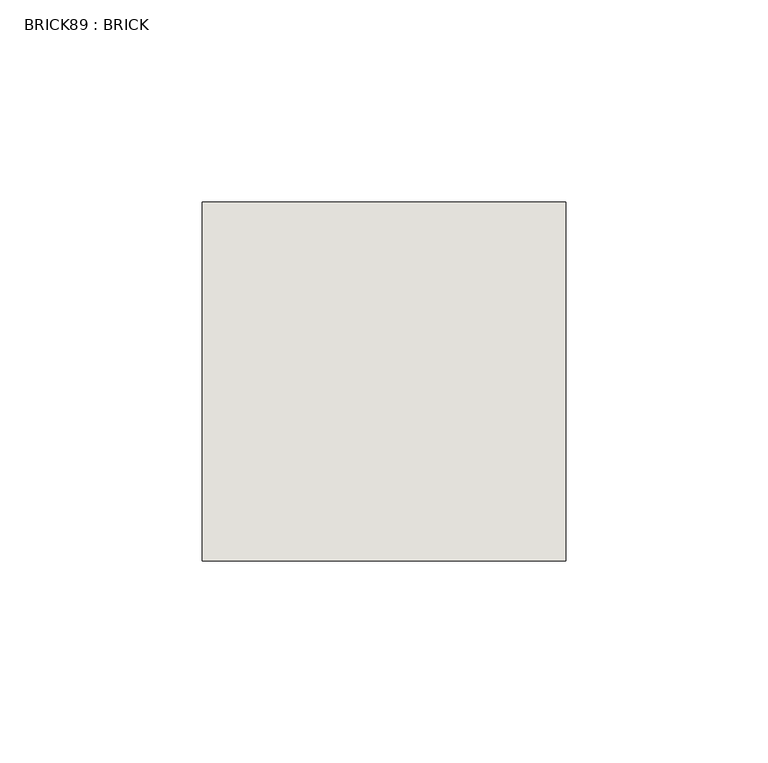
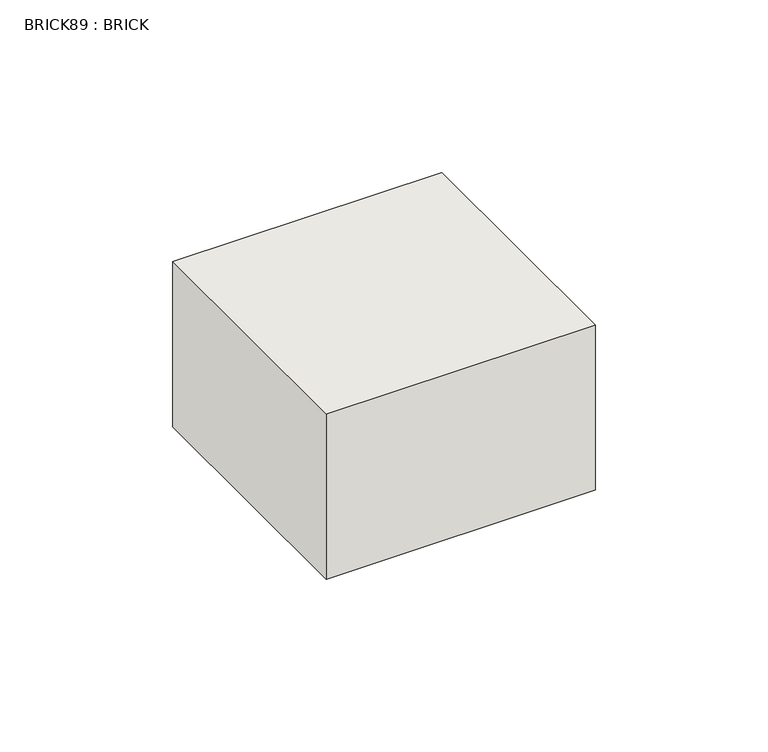
"""IFC4 building model written with IfcOpenShell, lengths in millimetres: wall geometry, BRICK89 : BRICK."""

import ifcopenshell
import ifcopenshell.guid

model = None  # the IFC model being written
_history = None  # IfcOwnerHistory: only IFC2X3 demands one
_inside = {}  # id of a spatial element -> (the spatial element, [elements in it])
_under = {}  # id of a project, library or spatial element -> (it, [spatial elements below it])
_declared = {}  # id of a project -> (the project, [libraries it declares])
_typed = {}  # id of a type object -> (the type object, [elements of that type])
_made_of = {}  # id of a material, layer set ... -> (it, [elements and type objects made of it])


def new_model(schema):
    """Start an empty IFC model of exactly this schema.

    Asked for "IFC4X3", IfcOpenShell would pick the latest addendum, in which some entities
    have other attributes; the version numbers below select the first issue.
    IFC2X3 requires an IfcOwnerHistory on every rooted entity: one is made here for all.
    """
    global model, _history
    if schema == "IFC4X3":
        model = ifcopenshell.file(schema_version=(4, 3, 0, 0))
    else:
        model = ifcopenshell.file(schema=schema)
    _inside.clear()
    _under.clear()
    _declared.clear()
    _typed.clear()
    _made_of.clear()
    _history = None
    if model.schema == "IFC2X3":
        org = make("IfcOrganization", Name="unknown")
        user = make(
            "IfcPersonAndOrganization",
            ThePerson=make("IfcPerson", FamilyName="unknown"),
            TheOrganization=org,
        )
        app = make(
            "IfcApplication",
            ApplicationDeveloper=org,
            Version="unknown",
            ApplicationFullName="unknown",
            ApplicationIdentifier="unknown",
        )
        _history = make(
            "IfcOwnerHistory",
            OwningUser=user,
            OwningApplication=app,
            ChangeAction="ADDED",
            CreationDate=0,
        )
    return model


def make(cls, **values):
    """One entity of the class cls with the attributes given. An attribute that is None is left unset."""
    return model.create_entity(
        cls, **{name: value for name, value in values.items() if value is not None}
    )


def rooted(cls, **values):
    """An entity with a GlobalId (a new one), such as an element, a storey or a relation."""
    return make(cls, GlobalId=ifcopenshell.guid.new(), OwnerHistory=_history, **values)


def si_unit(unit_type, name, prefix=None):
    """IfcSIUnit, for example si_unit("LENGTHUNIT", "METRE", prefix="MILLI")."""
    return make("IfcSIUnit", UnitType=unit_type, Prefix=prefix, Name=name)


def assignment(units):
    """IfcUnitAssignment: the units of a project."""
    return None if units is None else make("IfcUnitAssignment", Units=units)


def point(xyz):
    """IfcCartesianPoint."""
    return None if xyz is None else make("IfcCartesianPoint", Coordinates=xyz)


def direction(xyz):
    """IfcDirection."""
    return None if xyz is None else make("IfcDirection", DirectionRatios=xyz)


def frame(location, z_axis=None, x_axis=None):
    """IfcAxis2Placement3D, a coordinate frame: its origin and axes. An axis left out is left unset."""
    return make(
        "IfcAxis2Placement3D",
        Location=point(location),
        Axis=direction(z_axis),
        RefDirection=direction(x_axis),
    )


def origin():
    """The frame at (0, 0, 0) with its axes left unset."""
    return frame((0.0, 0.0, 0.0))


def place(relative_to, where):
    """IfcLocalPlacement: puts the frame where relative to a parent placement (None: the world)."""
    return make(
        "IfcLocalPlacement", PlacementRelTo=relative_to, RelativePlacement=where
    )


def context(
    kind, dimensions, precision=None, world=None, true_north=None, identifier=None
):
    """IfcGeometricRepresentationContext, for example the 3D "Model" context."""
    return make(
        "IfcGeometricRepresentationContext",
        ContextIdentifier=identifier,
        ContextType=kind,
        CoordinateSpaceDimension=dimensions,
        Precision=precision,
        WorldCoordinateSystem=world,
        TrueNorth=true_north,
    )


def project(units=None, contexts=None):
    """IfcProject with its units and contexts."""
    return rooted(
        "IfcProject",
        Name="project",
        RepresentationContexts=contexts,
        UnitsInContext=assignment(units),
    )


def spatial(cls, under=None, at=None, **own):
    """A site, building, storey or space (cls), placed at a placement, below another one or the project."""
    s = rooted(cls, ObjectPlacement=at, **own)
    if under is not None:
        _under.setdefault(under.id(), (under, []))[1].append(s)
    return s


def polyline(points):
    """IfcPolyline through the points."""
    return make("IfcPolyline", Points=[point(p) for p in points])


def outline(outer, holes=None, kind="AREA"):
    """IfcArbitraryClosedProfileDef: a profile drawn as a closed curve; with holes, ...WithVoids."""
    if holes is None:
        return make("IfcArbitraryClosedProfileDef", ProfileType=kind, OuterCurve=outer)
    return make(
        "IfcArbitraryProfileDefWithVoids",
        ProfileType=kind,
        OuterCurve=outer,
        InnerCurves=holes,
    )


def extrude(swept, where, along, depth):
    """IfcExtrudedAreaSolid: the profile swept, set in the frame where, extruded along a direction by depth."""
    return make(
        "IfcExtrudedAreaSolid",
        SweptArea=swept,
        Position=where,
        ExtrudedDirection=direction(along),
        Depth=depth,
    )


def shape(context_of_items, identifier, shape_type, items):
    """IfcShapeRepresentation: the items that make up one representation, for example the "Body"."""
    return make(
        "IfcShapeRepresentation",
        ContextOfItems=context_of_items,
        RepresentationIdentifier=identifier,
        RepresentationType=shape_type,
        Items=items,
    )


def source(mapping_origin, context_of_items, identifier, shape_type, items):
    """IfcRepresentationMap: a shape defined once, which mapped items show again and again."""
    return make(
        "IfcRepresentationMap",
        MappingOrigin=mapping_origin,
        MappedRepresentation=shape(context_of_items, identifier, shape_type, items),
    )


def transform(
    local_origin,
    x_axis=None,
    y_axis=None,
    z_axis=None,
    scale=None,
    scale2=None,
    scale3=None,
    uniform=True,
):
    """IfcCartesianTransformationOperator3D, or its non-uniform kind. x_axis, y_axis, z_axis: its Axis1, 2, 3."""
    if uniform:
        return make(
            "IfcCartesianTransformationOperator3D",
            Axis1=direction(x_axis),
            Axis2=direction(y_axis),
            LocalOrigin=point(local_origin),
            Scale=scale,
            Axis3=direction(z_axis),
        )
    return make(
        "IfcCartesianTransformationOperator3DnonUniform",
        Axis1=direction(x_axis),
        Axis2=direction(y_axis),
        LocalOrigin=point(local_origin),
        Scale=scale,
        Axis3=direction(z_axis),
        Scale2=scale2,
        Scale3=scale3,
    )


def mapped(mapping_source, mapping_target):
    """IfcMappedItem: shows the shape of a source again, moved by a transform."""
    return make(
        "IfcMappedItem", MappingSource=mapping_source, MappingTarget=mapping_target
    )


def made_of(thing, what):
    """Note that an element or type object is made of a material, layer set ...; save() writes the relation."""
    if what is not None:
        _made_of.setdefault(what.id(), (what, []))[1].append(thing)
    return thing


def element(
    cls,
    number,
    at=None,
    inside=None,
    cuts=None,
    type_object=None,
    material=None,
    context=None,
    identifier="Body",
    shape_type=None,
    held_by="IfcProductDefinitionShape",
    body=None,
    shapes=None,
    **own,
):
    """One element of the class cls, such as IfcWall. Its Tag is "e" and its number.

    at: its placement. inside: the storey or other place that contains it. cuts: it is an
    opening in that element (IfcRelVoidsElement). A single representation is given by context,
    identifier, shape_type and body (its items); several are given by shapes. held_by: the class
    of the entity that holds the representations. save() writes the other relations.
    """
    e = rooted(cls, Tag="e%d" % number, ObjectPlacement=at, **own)
    if body is not None:
        shapes = [shape(context, identifier, shape_type, body)]
    if shapes is not None:
        e.Representation = make(held_by, Representations=shapes)
    if inside is not None:
        _inside.setdefault(inside.id(), (inside, []))[1].append(e)
    if cuts is not None:
        rooted(
            "IfcRelVoidsElement", RelatingBuildingElement=cuts, RelatedOpeningElement=e
        )
    if type_object is not None:
        _typed.setdefault(type_object.id(), (type_object, []))[1].append(e)
    return made_of(e, material)


def aggregate(whole, parts):
    """IfcRelAggregates: a whole, such as a stair, and the parts it consists of."""
    return rooted("IfcRelAggregates", RelatingObject=whole, RelatedObjects=parts)


def save(model, path):
    """Write the relations noted so far, then the file.

    IfcRelAggregates (storeys below a building ...), IfcRelContainedInSpatialStructure (elements
    in a storey), IfcRelDefinesByType, IfcRelAssociatesMaterial and IfcRelDeclares: one each for
    every whole, place, type object, material and project.
    """
    for whole, parts in _under.values():
        aggregate(whole, parts)
    for where, things in _inside.values():
        rooted(
            "IfcRelContainedInSpatialStructure",
            RelatedElements=things,
            RelatingStructure=where,
        )
    for kind, things in _typed.values():
        rooted("IfcRelDefinesByType", RelatedObjects=things, RelatingType=kind)
    for what, things in _made_of.values():
        rooted("IfcRelAssociatesMaterial", RelatedObjects=things, RelatingMaterial=what)
    for by, libraries in _declared.values():
        rooted("IfcRelDeclares", RelatingContext=by, RelatedDefinitions=libraries)
    model.write(path)


def brick89_brick_a89a0552(model_context):
    return source(origin(), model_context, "Body", "SweptSolid", [
        extrude(outline(polyline([(1544.9272594, 2586.2274125), (1634.9530711, 2586.2274125), (1634.9530711, 2497.3274125), (1544.9272594, 2497.3274125), (1544.9272594, 2586.2274125)])), frame((0.0, 0.0, 96.2421875), z_axis=(0.0, 0.0, 1.0), x_axis=(1.0, 0.0, 0.0)), (0.0, 0.0, 1.0), 58.4398438),
    ])


if __name__ == "__main__":
    model = new_model("IFC4")
    model_context = context("Model", 3, world=origin())
    ifc_project = project(units=[si_unit("LENGTHUNIT", "METRE", prefix="MILLI")], contexts=[model_context])
    site = spatial("IfcSite", under=ifc_project)
    building = spatial("IfcBuilding", under=site)
    placement = place(None, origin())
    brick89_brick_shape = brick89_brick_a89a0552(model_context)
    element("IfcWall", 1, ObjectType="BRICK89 : BRICK", at=placement, inside=building, context=model_context, shape_type="MappedRepresentation", body=[
        mapped(brick89_brick_shape, transform((0.0, 0.0, 0.0), x_axis=(1.0, 0.0, 0.0), y_axis=(0.0, 1.0, 0.0), z_axis=(0.0, 0.0, 1.0))),
    ])
    save(model, "model.ifc")
